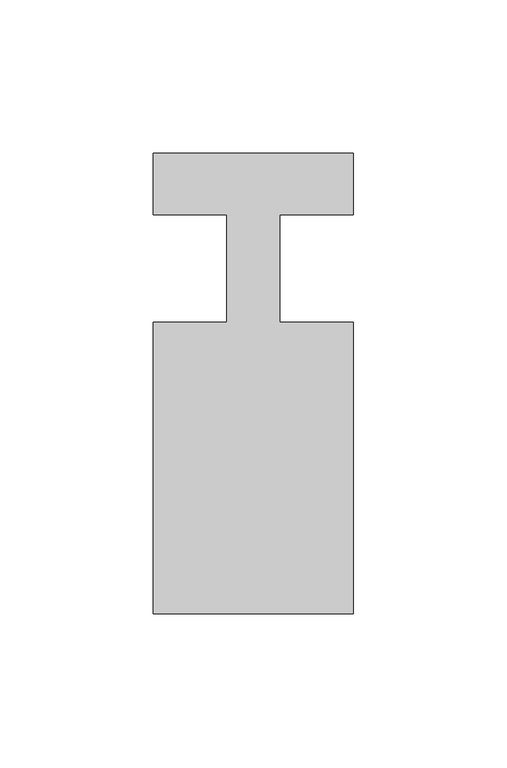
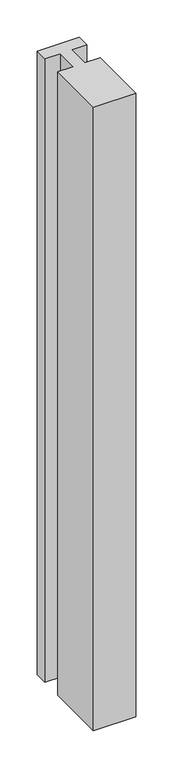
"""IFC4 building model written with IfcOpenShell, lengths in millimetres: member geometry."""

from ifc_helpers import new_model, si_unit, frame, origin, place, context, project, spatial, polyline, outline, extrude, source, transform, mapped, element, save


def member_8c1ed0bd(model_context):
    return source(origin(), model_context, "Body", "SweptSolid", [
        extrude(outline(polyline([(-65.0, 37.0), (0.0, 37.0), (0.0, 17.0), (-23.8125, 17.0), (-23.8125, -18.0), (0.0, -18.0), (0.0, -113.0), (-65.0, -113.0), (-65.0, -18.0), (-41.1875, -18.0), (-41.1875, 17.0), (-65.0, 17.0), (-65.0, 37.0)])), frame((0.0, 0.0, -1018.3333333), z_axis=(0.0, 0.0, 1.0), x_axis=(1.0, 0.0, 0.0)), (0.0, 0.0, 1.0), 1018.3333333),
    ])


if __name__ == "__main__":
    model = new_model("IFC4")
    model_context = context("Model", 3, world=origin())
    ifc_project = project(units=[si_unit("LENGTHUNIT", "METRE", prefix="MILLI")], contexts=[model_context])
    site = spatial("IfcSite", under=ifc_project)
    building = spatial("IfcBuilding", under=site)
    placement = place(None, origin())
    member_shape = member_8c1ed0bd(model_context)
    element("IfcMember", 1, at=placement, inside=building, context=model_context, shape_type="MappedRepresentation", body=[
        mapped(member_shape, transform((0.0, 0.0, 0.0), x_axis=(1.0, 0.0, 0.0), y_axis=(0.0, 1.0, 0.0), z_axis=(0.0, 0.0, 1.0))),
    ])
    save(model, "model.ifc")
